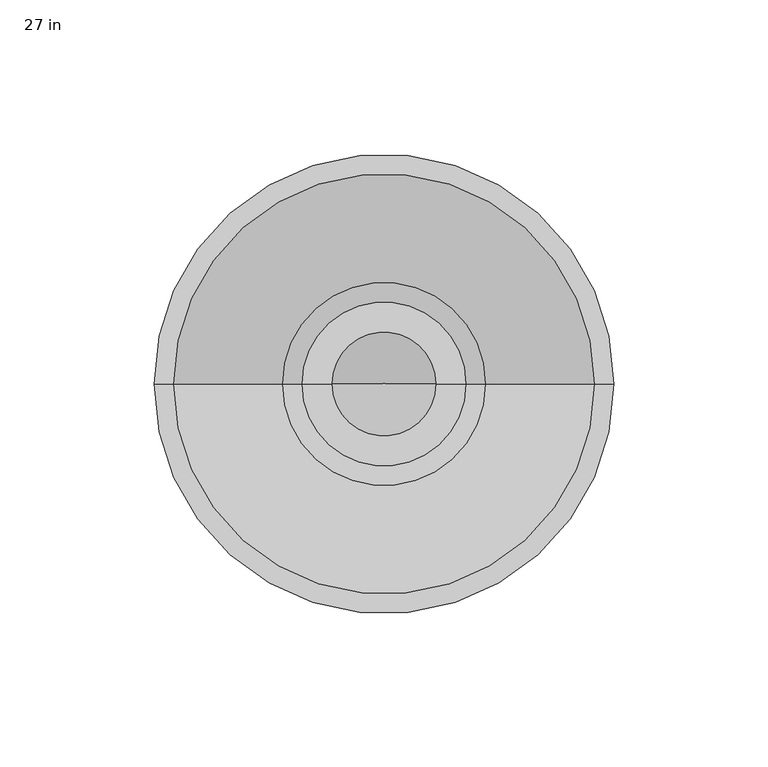
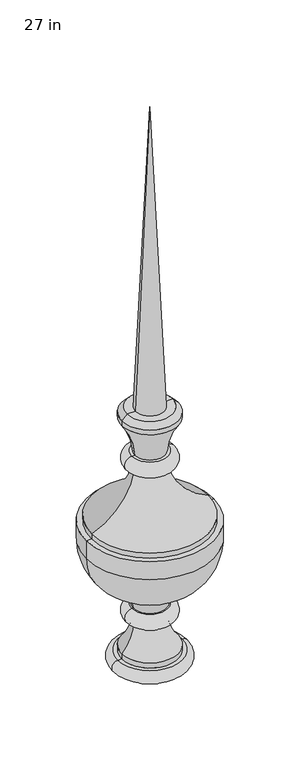
"""IFC4 building model written with IfcOpenShell, lengths in millimetres: proxy geometry, 27 in."""

import ifcopenshell
import ifcopenshell.guid

model = None  # the IFC model being written
_history = None  # IfcOwnerHistory: only IFC2X3 demands one
_inside = {}  # id of a spatial element -> (the spatial element, [elements in it])
_under = {}  # id of a project, library or spatial element -> (it, [spatial elements below it])
_declared = {}  # id of a project -> (the project, [libraries it declares])
_typed = {}  # id of a type object -> (the type object, [elements of that type])
_made_of = {}  # id of a material, layer set ... -> (it, [elements and type objects made of it])


def new_model(schema):
    """Start an empty IFC model of exactly this schema.

    Asked for "IFC4X3", IfcOpenShell would pick the latest addendum, in which some entities
    have other attributes; the version numbers below select the first issue.
    IFC2X3 requires an IfcOwnerHistory on every rooted entity: one is made here for all.
    """
    global model, _history
    if schema == "IFC4X3":
        model = ifcopenshell.file(schema_version=(4, 3, 0, 0))
    else:
        model = ifcopenshell.file(schema=schema)
    _inside.clear()
    _under.clear()
    _declared.clear()
    _typed.clear()
    _made_of.clear()
    _history = None
    if model.schema == "IFC2X3":
        org = make("IfcOrganization", Name="unknown")
        user = make(
            "IfcPersonAndOrganization",
            ThePerson=make("IfcPerson", FamilyName="unknown"),
            TheOrganization=org,
        )
        app = make(
            "IfcApplication",
            ApplicationDeveloper=org,
            Version="unknown",
            ApplicationFullName="unknown",
            ApplicationIdentifier="unknown",
        )
        _history = make(
            "IfcOwnerHistory",
            OwningUser=user,
            OwningApplication=app,
            ChangeAction="ADDED",
            CreationDate=0,
        )
    return model


def make(cls, **values):
    """One entity of the class cls with the attributes given. An attribute that is None is left unset."""
    return model.create_entity(
        cls, **{name: value for name, value in values.items() if value is not None}
    )


def rooted(cls, **values):
    """An entity with a GlobalId (a new one), such as an element, a storey or a relation."""
    return make(cls, GlobalId=ifcopenshell.guid.new(), OwnerHistory=_history, **values)


def si_unit(unit_type, name, prefix=None):
    """IfcSIUnit, for example si_unit("LENGTHUNIT", "METRE", prefix="MILLI")."""
    return make("IfcSIUnit", UnitType=unit_type, Prefix=prefix, Name=name)


def assignment(units):
    """IfcUnitAssignment: the units of a project."""
    return None if units is None else make("IfcUnitAssignment", Units=units)


def point(xyz):
    """IfcCartesianPoint."""
    return None if xyz is None else make("IfcCartesianPoint", Coordinates=xyz)


def direction(xyz):
    """IfcDirection."""
    return None if xyz is None else make("IfcDirection", DirectionRatios=xyz)


def frame(location, z_axis=None, x_axis=None):
    """IfcAxis2Placement3D, a coordinate frame: its origin and axes. An axis left out is left unset."""
    return make(
        "IfcAxis2Placement3D",
        Location=point(location),
        Axis=direction(z_axis),
        RefDirection=direction(x_axis),
    )


def origin():
    """The frame at (0, 0, 0) with its axes left unset."""
    return frame((0.0, 0.0, 0.0))


def place(relative_to, where):
    """IfcLocalPlacement: puts the frame where relative to a parent placement (None: the world)."""
    return make(
        "IfcLocalPlacement", PlacementRelTo=relative_to, RelativePlacement=where
    )


def context(
    kind, dimensions, precision=None, world=None, true_north=None, identifier=None
):
    """IfcGeometricRepresentationContext, for example the 3D "Model" context."""
    return make(
        "IfcGeometricRepresentationContext",
        ContextIdentifier=identifier,
        ContextType=kind,
        CoordinateSpaceDimension=dimensions,
        Precision=precision,
        WorldCoordinateSystem=world,
        TrueNorth=true_north,
    )


def project(units=None, contexts=None):
    """IfcProject with its units and contexts."""
    return rooted(
        "IfcProject",
        Name="project",
        RepresentationContexts=contexts,
        UnitsInContext=assignment(units),
    )


def spatial(cls, under=None, at=None, **own):
    """A site, building, storey or space (cls), placed at a placement, below another one or the project."""
    s = rooted(cls, ObjectPlacement=at, **own)
    if under is not None:
        _under.setdefault(under.id(), (under, []))[1].append(s)
    return s


def polyline(points):
    """IfcPolyline through the points."""
    return make("IfcPolyline", Points=[point(p) for p in points])


def circle_curve(where, radius):
    """IfcCircle in the frame where."""
    return make("IfcCircle", Position=where, Radius=radius)


def ellipse_curve(where, semi_axis1, semi_axis2):
    """IfcEllipse in the frame where."""
    return make(
        "IfcEllipse", Position=where, SemiAxis1=semi_axis1, SemiAxis2=semi_axis2
    )


def trimmed(basis, trim1, trim2, sense, master):
    """IfcTrimmedCurve: the piece of a basis curve between two trims."""
    return make(
        "IfcTrimmedCurve",
        BasisCurve=basis,
        Trim1=trim1,
        Trim2=trim2,
        SenseAgreement=sense,
        MasterRepresentation=master,
    )


def shape(context_of_items, identifier, shape_type, items):
    """IfcShapeRepresentation: the items that make up one representation, for example the "Body"."""
    return make(
        "IfcShapeRepresentation",
        ContextOfItems=context_of_items,
        RepresentationIdentifier=identifier,
        RepresentationType=shape_type,
        Items=items,
    )


def source(mapping_origin, context_of_items, identifier, shape_type, items):
    """IfcRepresentationMap: a shape defined once, which mapped items show again and again."""
    return make(
        "IfcRepresentationMap",
        MappingOrigin=mapping_origin,
        MappedRepresentation=shape(context_of_items, identifier, shape_type, items),
    )


def transform(
    local_origin,
    x_axis=None,
    y_axis=None,
    z_axis=None,
    scale=None,
    scale2=None,
    scale3=None,
    uniform=True,
):
    """IfcCartesianTransformationOperator3D, or its non-uniform kind. x_axis, y_axis, z_axis: its Axis1, 2, 3."""
    if uniform:
        return make(
            "IfcCartesianTransformationOperator3D",
            Axis1=direction(x_axis),
            Axis2=direction(y_axis),
            LocalOrigin=point(local_origin),
            Scale=scale,
            Axis3=direction(z_axis),
        )
    return make(
        "IfcCartesianTransformationOperator3DnonUniform",
        Axis1=direction(x_axis),
        Axis2=direction(y_axis),
        LocalOrigin=point(local_origin),
        Scale=scale,
        Axis3=direction(z_axis),
        Scale2=scale2,
        Scale3=scale3,
    )


def mapped(mapping_source, mapping_target):
    """IfcMappedItem: shows the shape of a source again, moved by a transform."""
    return make(
        "IfcMappedItem", MappingSource=mapping_source, MappingTarget=mapping_target
    )


def made_of(thing, what):
    """Note that an element or type object is made of a material, layer set ...; save() writes the relation."""
    if what is not None:
        _made_of.setdefault(what.id(), (what, []))[1].append(thing)
    return thing


def element(
    cls,
    number,
    at=None,
    inside=None,
    cuts=None,
    type_object=None,
    material=None,
    context=None,
    identifier="Body",
    shape_type=None,
    held_by="IfcProductDefinitionShape",
    body=None,
    shapes=None,
    **own,
):
    """One element of the class cls, such as IfcWall. Its Tag is "e" and its number.

    at: its placement. inside: the storey or other place that contains it. cuts: it is an
    opening in that element (IfcRelVoidsElement). A single representation is given by context,
    identifier, shape_type and body (its items); several are given by shapes. held_by: the class
    of the entity that holds the representations. save() writes the other relations.
    """
    e = rooted(cls, Tag="e%d" % number, ObjectPlacement=at, **own)
    if body is not None:
        shapes = [shape(context, identifier, shape_type, body)]
    if shapes is not None:
        e.Representation = make(held_by, Representations=shapes)
    if inside is not None:
        _inside.setdefault(inside.id(), (inside, []))[1].append(e)
    if cuts is not None:
        rooted(
            "IfcRelVoidsElement", RelatingBuildingElement=cuts, RelatedOpeningElement=e
        )
    if type_object is not None:
        _typed.setdefault(type_object.id(), (type_object, []))[1].append(e)
    return made_of(e, material)


def aggregate(whole, parts):
    """IfcRelAggregates: a whole, such as a stair, and the parts it consists of."""
    return rooted("IfcRelAggregates", RelatingObject=whole, RelatedObjects=parts)


def save(model, path):
    """Write the relations noted so far, then the file.

    IfcRelAggregates (storeys below a building ...), IfcRelContainedInSpatialStructure (elements
    in a storey), IfcRelDefinesByType, IfcRelAssociatesMaterial and IfcRelDeclares: one each for
    every whole, place, type object, material and project.
    """
    for whole, parts in _under.values():
        aggregate(whole, parts)
    for where, things in _inside.values():
        rooted(
            "IfcRelContainedInSpatialStructure",
            RelatedElements=things,
            RelatingStructure=where,
        )
    for kind, things in _typed.values():
        rooted("IfcRelDefinesByType", RelatedObjects=things, RelatingType=kind)
    for what, things in _made_of.values():
        rooted("IfcRelAssociatesMaterial", RelatedObjects=things, RelatingMaterial=what)
    for by, libraries in _declared.values():
        rooted("IfcRelDeclares", RelatingContext=by, RelatedDefinitions=libraries)
    model.write(path)


def plane_surface(at):
    """IfcPlane: the flat surface through the origin of the frame at, square to its z axis."""
    return make("IfcPlane", Position=at)


def cylinder_surface(at, radius):
    """IfcCylindricalSurface: all points at the distance radius from the z axis of the frame at."""
    return make("IfcCylindricalSurface", Position=at, Radius=radius)


def revolved_surface(curve, axis_point, axis_direction):
    """IfcSurfaceOfRevolution: the curve turned about the line through axis_point along axis_direction."""
    return make(
        "IfcSurfaceOfRevolution",
        SweptCurve=make("IfcArbitraryOpenProfileDef", ProfileType="CURVE", Curve=curve),
        AxisPosition=make("IfcAxis1Placement", Location=point(axis_point), Axis=direction(axis_direction)),
    )


def advanced_brep(points, edges, surfaces, faces):
    """IfcAdvancedBrep: a solid bounded by faces that lie on surfaces and meet in shared edges.

    An edge is (start, end): straight between two places in points (the first is 0);
    or (start, end, curve); or (start, end, curve, False) where it runs against its curve.
    A face is (place in surfaces, loops), or (place, loops, False) where it looks against
    its surface's normal. A loop lists edges by number (the first is 1), with a minus sign
    where the edge is run from its end to its start. The first loop is the outer one.
    """
    corners = [point(p) for p in points]
    vertices = [make("IfcVertexPoint", VertexGeometry=c) for c in corners]
    made = []
    for start, end, *more in edges:
        made.append(
            make(
                "IfcEdgeCurve",
                EdgeStart=vertices[start],
                EdgeEnd=vertices[end],
                EdgeGeometry=more[0] if more else make("IfcPolyline", Points=[corners[start], corners[end]]),
                SameSense=more[1] if len(more) > 1 else True,
            )
        )
    hull = []
    for where, loops, *sense in faces:
        bounds = []
        for j, loop in enumerate(loops):
            ring = [make("IfcOrientedEdge", EdgeElement=made[abs(k) - 1], Orientation=k > 0) for k in loop]
            bounds.append(
                make(
                    "IfcFaceOuterBound" if j == 0 else "IfcFaceBound",
                    Bound=make("IfcEdgeLoop", EdgeList=ring),
                    Orientation=True,
                )
            )
        hull.append(make("IfcAdvancedFace", Bounds=bounds, FaceSurface=surfaces[where], SameSense=sense[0] if sense else True))
    return make("IfcAdvancedBrep", Outer=make("IfcClosedShell", CfsFaces=hull))


def proxy_27_in_8e7bdd81(model_context):
    return source(origin(), model_context, "Body", "AdvancedBrep", [
        advanced_brep(
        [(16.8555097, 0.0, 315.3729456), (-16.8555097, 0.0, 315.3729456), (0.0, 0.0, 685.8), (26.5789255, 0.0, 315.3729456), (-26.5789255, 0.0, 315.3729456), (32.9289255, 0.0, 309.0229456), (-32.9289255, 0.0, 309.0229456), (32.9289255, 0.0, 303.1721152), (-32.9289255, 0.0, 303.1721152), (17.4911302, 0.0, 261.0941906), (-17.4911302, 0.0, 261.0941906), (20.9488027, 0.0, 261.0941906), (-20.9488027, 0.0, 261.0941906), (20.9488027, 0.0, 243.4300821), (-20.9488027, 0.0, 243.4300821), (18.2849564, 0.0, 243.4300821), (-18.2849564, 0.0, 243.4300821), (68.2625, 0.0, 181.5315803), (-68.2625, 0.0, 181.5315803), (68.2625, 0.0, 175.1815803), (-68.2625, 0.0, 175.1815803), (74.6125, 0.0, 175.1815803), (-74.6125, 0.0, 175.1815803), (74.6125, 0.0, 153.2556901), (-74.6125, 0.0, 153.2556901), (26.9027649, 0.0, 93.5136543), (-26.9027649, 0.0, 93.5136543), (19.4572311, 0.0, 72.6715417), (-19.4572311, 0.0, 72.6715417), (20.9488027, 0.0, 72.6715417), (-20.9488027, 0.0, 72.6715417), (19.0055881, 0.0, 55.2238563), (-19.0055881, 0.0, 55.2238563), (32.9334794, 0.0, 20.8980715), (-32.9334794, 0.0, 20.8980715), (32.9334794, 0.0, 14.5480715), (-32.9334794, 0.0, 14.5480715), (37.5285784, 0.0, 14.5480715), (-37.5285784, 0.0, 14.5480715), (37.5285784, 0.0, 0.0), (-37.5285784, 0.0, 0.0), (0.0, 0.0, 0.0)],
        [
            (0, 1, circle_curve(frame((0.0, 0.0, 315.3729456), z_axis=(0.0, 0.0, 1.0), x_axis=(-1.0, 0.0, 0.0)), 16.8555097)),
            (1, 2),
            (2, 0),
            (1, 0, circle_curve(frame((0.0, 0.0, 315.3729456), z_axis=(0.0, 0.0, 1.0), x_axis=(-1.0, 0.0, 0.0)), 16.8555097)),
            (3, 4, circle_curve(frame((0.0, 0.0, 315.3729456), z_axis=(0.0, 0.0, 1.0), x_axis=(-1.0, 0.0, 0.0)), 26.5789255)),
            (4, 1),
            (0, 3),
            (4, 3, circle_curve(frame((0.0, 0.0, 315.3729456), z_axis=(0.0, 0.0, 1.0), x_axis=(-1.0, 0.0, 0.0)), 26.5789255)),
            (5, 6, circle_curve(frame((0.0, 0.0, 309.0229456), z_axis=(0.0, 0.0, 1.0), x_axis=(-1.0, 0.0, 0.0)), 32.9289255)),
            (6, 4),
            (3, 5),
            (6, 5, circle_curve(frame((0.0, 0.0, 309.0229456), z_axis=(0.0, 0.0, 1.0), x_axis=(-1.0, 0.0, 0.0)), 32.9289255)),
            (7, 8, circle_curve(frame((0.0, 0.0, 303.1721152), z_axis=(0.0, 0.0, 1.0), x_axis=(-1.0, 0.0, 0.0)), 32.9289255)),
            (8, 6),
            (5, 7),
            (8, 7, circle_curve(frame((0.0, 0.0, 303.1721152), z_axis=(0.0, 0.0, 1.0), x_axis=(-1.0, 0.0, 0.0)), 32.9289255)),
            (9, 10, circle_curve(frame((0.0, 0.0, 261.0941906), z_axis=(0.0, 0.0, 1.0), x_axis=(-1.0, 0.0, 0.0)), 17.4911302)),
            (10, 8, circle_curve(frame((-96.9441392, 0.0, 255.8149222), z_axis=(0.0, -1.0, 0.0), x_axis=(1.0, 0.0, 0.0)), 79.6282067)),
            (7, 9, circle_curve(frame((96.9441392, 0.0, 255.8149222), z_axis=(0.0, -1.0, 0.0), x_axis=(-1.0, 0.0, 0.0)), 79.6282067)),
            (10, 9, circle_curve(frame((0.0, 0.0, 261.0941906), z_axis=(0.0, 0.0, 1.0), x_axis=(-1.0, 0.0, 0.0)), 17.4911302)),
            (11, 12, circle_curve(frame((0.0, 0.0, 261.0941906), z_axis=(0.0, 0.0, 1.0), x_axis=(-1.0, 0.0, 0.0)), 20.9488027)),
            (12, 10),
            (9, 11),
            (12, 11, circle_curve(frame((0.0, 0.0, 261.0941906), z_axis=(0.0, 0.0, 1.0), x_axis=(-1.0, 0.0, 0.0)), 20.9488027)),
            (13, 14, circle_curve(frame((0.0, 0.0, 243.4300821), z_axis=(0.0, 0.0, 1.0), x_axis=(-1.0, 0.0, 0.0)), 20.9488027)),
            (14, 12, circle_curve(frame((-20.9488027, 0.0, 252.2621363), z_axis=(0.0, 1.0, 0.0), x_axis=(1.0, 0.0, 0.0)), 8.8320543)),
            (11, 13, circle_curve(frame((20.9488027, 0.0, 252.2621363), z_axis=(0.0, 1.0, 0.0), x_axis=(-1.0, 0.0, 0.0)), 8.8320543)),
            (14, 13, circle_curve(frame((0.0, 0.0, 243.4300821), z_axis=(0.0, 0.0, 1.0), x_axis=(-1.0, 0.0, 0.0)), 20.9488027)),
            (15, 16, circle_curve(frame((0.0, 0.0, 243.4300821), z_axis=(0.0, 0.0, 1.0), x_axis=(-1.0, 0.0, 0.0)), 18.2849564)),
            (16, 14),
            (13, 15),
            (16, 15, circle_curve(frame((0.0, 0.0, 243.4300821), z_axis=(0.0, 0.0, 1.0), x_axis=(-1.0, 0.0, 0.0)), 18.2849564)),
            (17, 18, circle_curve(frame((0.0, 0.0, 181.5315803), z_axis=(0.0, 0.0, 1.0), x_axis=(-1.0, 0.0, 0.0)), 68.2625)),
            (18, 16, circle_curve(frame((-96.9441392, 0.0, 255.8149222), z_axis=(0.0, -1.0, 0.0), x_axis=(1.0, 0.0, 0.0)), 79.6282067)),
            (15, 17, circle_curve(frame((96.9441392, 0.0, 255.8149222), z_axis=(0.0, -1.0, 0.0), x_axis=(-1.0, 0.0, 0.0)), 79.6282067)),
            (18, 17, circle_curve(frame((0.0, 0.0, 181.5315803), z_axis=(0.0, 0.0, 1.0), x_axis=(-1.0, 0.0, 0.0)), 68.2625)),
            (19, 20, circle_curve(frame((0.0, 0.0, 175.1815803), z_axis=(0.0, 0.0, 1.0), x_axis=(-1.0, 0.0, 0.0)), 68.2625)),
            (20, 18),
            (17, 19),
            (20, 19, circle_curve(frame((0.0, 0.0, 175.1815803), z_axis=(0.0, 0.0, 1.0), x_axis=(-1.0, 0.0, 0.0)), 68.2625)),
            (21, 22, circle_curve(frame((0.0, 0.0, 175.1815803), z_axis=(0.0, 0.0, 1.0), x_axis=(-1.0, 0.0, 0.0)), 74.6125)),
            (22, 20),
            (19, 21),
            (22, 21, circle_curve(frame((0.0, 0.0, 175.1815803), z_axis=(0.0, 0.0, 1.0), x_axis=(-1.0, 0.0, 0.0)), 74.6125)),
            (23, 24, circle_curve(frame((0.0, 0.0, 153.2556901), z_axis=(0.0, 0.0, 1.0), x_axis=(-1.0, 0.0, 0.0)), 74.6125)),
            (24, 22),
            (21, 23),
            (24, 23, circle_curve(frame((0.0, 0.0, 153.2556901), z_axis=(0.0, 0.0, 1.0), x_axis=(-1.0, 0.0, 0.0)), 74.6125)),
            (25, 26, circle_curve(frame((0.0, 0.0, 93.5136543), z_axis=(0.0, 0.0, 1.0), x_axis=(-1.0, 0.0, 0.0)), 26.9027649)),
            (26, 24, circle_curve(frame((-13.353203, 0.0, 153.2556901), z_axis=(0.0, 1.0, 0.0), x_axis=(1.0, 0.0, 0.0)), 61.259297)),
            (23, 25, circle_curve(frame((13.353203, 0.0, 153.2556901), z_axis=(0.0, 1.0, 0.0), x_axis=(-1.0, 0.0, 0.0)), 61.259297)),
            (26, 25, circle_curve(frame((0.0, 0.0, 93.5136543), z_axis=(0.0, 0.0, 1.0), x_axis=(-1.0, 0.0, 0.0)), 26.9027649)),
            (27, 28, circle_curve(frame((0.0, 0.0, 72.6715417), z_axis=(0.0, 0.0, 1.0), x_axis=(-1.0, 0.0, 0.0)), 19.4572311)),
            (28, 26, circle_curve(frame((-72.2398864, 0.0, 65.5666846), z_axis=(0.0, -1.0, 0.0), x_axis=(1.0, 0.0, 0.0)), 53.2586866)),
            (25, 27, circle_curve(frame((72.2398864, 0.0, 65.5666846), z_axis=(0.0, -1.0, 0.0), x_axis=(-1.0, 0.0, 0.0)), 53.2586866)),
            (28, 27, circle_curve(frame((0.0, 0.0, 72.6715417), z_axis=(0.0, 0.0, 1.0), x_axis=(-1.0, 0.0, 0.0)), 19.4572311)),
            (29, 30, circle_curve(frame((0.0, 0.0, 72.6715417), z_axis=(0.0, 0.0, 1.0), x_axis=(-1.0, 0.0, 0.0)), 20.9488027)),
            (30, 28),
            (27, 29),
            (30, 29, circle_curve(frame((0.0, 0.0, 72.6715417), z_axis=(0.0, 0.0, 1.0), x_axis=(-1.0, 0.0, 0.0)), 20.9488027)),
            (31, 32, circle_curve(frame((0.0, 0.0, 55.2238563), z_axis=(0.0, 0.0, 1.0), x_axis=(-1.0, 0.0, 0.0)), 19.0055881)),
            (32, 30, circle_curve(frame((-20.9488027, 0.0, 63.8394874), z_axis=(0.0, 1.0, 0.0), x_axis=(1.0, 0.0, 0.0)), 8.8320543)),
            (29, 31, circle_curve(frame((20.9488027, 0.0, 63.8394874), z_axis=(0.0, 1.0, 0.0), x_axis=(-1.0, 0.0, 0.0)), 8.8320543)),
            (32, 31, circle_curve(frame((0.0, 0.0, 55.2238563), z_axis=(0.0, 0.0, 1.0), x_axis=(-1.0, 0.0, 0.0)), 19.0055881)),
            (33, 34, circle_curve(frame((0.0, 0.0, 20.8980715), z_axis=(0.0, 0.0, 1.0), x_axis=(-1.0, 0.0, 0.0)), 32.9334794)),
            (34, 32, circle_curve(frame((-72.2398864, 0.0, 56.8354346), z_axis=(0.0, -1.0, 0.0), x_axis=(1.0, 0.0, 0.0)), 53.2586866)),
            (31, 33, circle_curve(frame((72.2398864, 0.0, 56.8354346), z_axis=(0.0, -1.0, 0.0), x_axis=(-1.0, 0.0, 0.0)), 53.2586866)),
            (34, 33, circle_curve(frame((0.0, 0.0, 20.8980715), z_axis=(0.0, 0.0, 1.0), x_axis=(-1.0, 0.0, 0.0)), 32.9334794)),
            (35, 36, circle_curve(frame((0.0, 0.0, 14.5480715), z_axis=(0.0, 0.0, 1.0), x_axis=(-1.0, 0.0, 0.0)), 32.9334794)),
            (36, 34),
            (33, 35),
            (36, 35, circle_curve(frame((0.0, 0.0, 14.5480715), z_axis=(0.0, 0.0, 1.0), x_axis=(-1.0, 0.0, 0.0)), 32.9334794)),
            (37, 38, circle_curve(frame((0.0, 0.0, 14.5480715), z_axis=(0.0, 0.0, 1.0), x_axis=(-1.0, 0.0, 0.0)), 37.5285784)),
            (38, 36),
            (35, 37),
            (38, 37, circle_curve(frame((0.0, 0.0, 14.5480715), z_axis=(0.0, 0.0, 1.0), x_axis=(-1.0, 0.0, 0.0)), 37.5285784)),
            (39, 40, circle_curve(frame((0.0, 0.0, 0.0), z_axis=(0.0, 0.0, 1.0), x_axis=(-1.0, 0.0, 0.0)), 37.5285784)),
            (40, 38, circle_curve(frame((-37.5285784, 0.0, 7.2740357), z_axis=(0.0, 1.0, 0.0), x_axis=(1.0, 0.0, 0.0)), 7.2740357)),
            (37, 39, circle_curve(frame((37.5285784, 0.0, 7.2740357), z_axis=(0.0, 1.0, 0.0), x_axis=(-1.0, 0.0, 0.0)), 7.2740357)),
            (40, 39, circle_curve(frame((0.0, 0.0, 0.0), z_axis=(0.0, 0.0, 1.0), x_axis=(-1.0, 0.0, 0.0)), 37.5285784)),
            (41, 40),
            (39, 41),
        ],
        [
            revolved_surface(polyline([(0.0, 0.0, 685.8), (-16.8555097, 0.0, 315.3729456)]), (0.0, 0.0, 721.7729456), (0.0, 0.0, -1.0)),
            plane_surface(frame((0.0, 0.0, 315.3729456), z_axis=(0.0, 0.0, 1.0), x_axis=(-1.0, 0.0, 0.0))),
            revolved_surface(polyline([(-26.5789255, 0.0, 315.3729456), (-32.9289255, 0.0, 309.0229456)]), (0.0, 0.0, 721.7729456), (0.0, 0.0, -1.0)),
            cylinder_surface(frame((0.0, 0.0, 721.7729456), z_axis=(0.0, 0.0, -1.0), x_axis=(-1.0, 0.0, 0.0)), 32.9289255),
            revolved_surface(trimmed(ellipse_curve(frame((-96.9441392, 0.0, 255.8149222), z_axis=(0.0, 1.0, 0.0), x_axis=(1.0, 0.0, 0.0)), 79.6282067, 79.6282067), [point((-32.9289255, 0.0, 303.1721152))], [point((-17.4911302, 0.0, 261.0941906))], True, "CARTESIAN"), (0.0, 0.0, 721.7729456), (0.0, 0.0, -1.0)),
            plane_surface(frame((0.0, 0.0, 261.0941906), z_axis=(0.0, 0.0, 1.0), x_axis=(-1.0, 0.0, 0.0))),
            revolved_surface(trimmed(ellipse_curve(frame((-20.9488027, 0.0, 252.2621363), z_axis=(0.0, -1.0, 0.0), x_axis=(1.0, 0.0, 0.0)), 8.8320543, 8.8320543), [point((-20.9488027, 0.0, 261.0941906))], [point((-20.9488027, 0.0, 243.4300821))], True, "CARTESIAN"), (0.0, 0.0, 721.7729456), (0.0, 0.0, -1.0)),
            plane_surface(frame((0.0, 0.0, 243.4300821), z_axis=(0.0, 0.0, -1.0), x_axis=(-1.0, 0.0, 0.0))),
            revolved_surface(trimmed(ellipse_curve(frame((-96.9441392, 0.0, 255.8149222), z_axis=(0.0, 1.0, 0.0), x_axis=(1.0, 0.0, 0.0)), 79.6282067, 79.6282067), [point((-18.2849564, 0.0, 243.4300821))], [point((-68.2625, 0.0, 181.5315803))], True, "CARTESIAN"), (0.0, 0.0, 721.7729456), (0.0, 0.0, -1.0)),
            cylinder_surface(frame((0.0, 0.0, 721.7729456), z_axis=(0.0, 0.0, -1.0), x_axis=(-1.0, 0.0, 0.0)), 68.2625),
            plane_surface(frame((0.0, 0.0, 175.1815803), z_axis=(0.0, 0.0, 1.0), x_axis=(-1.0, 0.0, 0.0))),
            cylinder_surface(frame((0.0, 0.0, 721.7729456), z_axis=(0.0, 0.0, -1.0), x_axis=(-1.0, 0.0, 0.0)), 74.6125),
            revolved_surface(trimmed(ellipse_curve(frame((-13.353203, 0.0, 153.2556901), z_axis=(0.0, -1.0, 0.0), x_axis=(1.0, 0.0, 0.0)), 61.259297, 61.259297), [point((-74.6125, 0.0, 153.2556901))], [point((-26.9027649, 0.0, 93.5136543))], True, "CARTESIAN"), (0.0, 0.0, 721.7729456), (0.0, 0.0, -1.0)),
            revolved_surface(trimmed(ellipse_curve(frame((-72.2398864, 0.0, 65.5666846), z_axis=(0.0, 1.0, 0.0), x_axis=(1.0, 0.0, 0.0)), 53.2586866, 53.2586866), [point((-26.9027649, 0.0, 93.5136543))], [point((-19.4572311, 0.0, 72.6715417))], True, "CARTESIAN"), (0.0, 0.0, 721.7729456), (0.0, 0.0, -1.0)),
            plane_surface(frame((0.0, 0.0, 72.6715417), z_axis=(0.0, 0.0, 1.0), x_axis=(-1.0, 0.0, 0.0))),
            revolved_surface(trimmed(ellipse_curve(frame((-20.9488027, 0.0, 63.8394874), z_axis=(0.0, -1.0, 0.0), x_axis=(1.0, 0.0, 0.0)), 8.8320543, 8.8320543), [point((-20.9488027, 0.0, 72.6715417))], [point((-19.0055881, 0.0, 55.2238563))], True, "CARTESIAN"), (0.0, 0.0, 721.7729456), (0.0, 0.0, -1.0)),
            revolved_surface(trimmed(ellipse_curve(frame((-72.2398864, 0.0, 56.8354346), z_axis=(0.0, 1.0, 0.0), x_axis=(1.0, 0.0, 0.0)), 53.2586866, 53.2586866), [point((-19.0055881, 0.0, 55.2238563))], [point((-32.9334794, 0.0, 20.8980715))], True, "CARTESIAN"), (0.0, 0.0, 721.7729456), (0.0, 0.0, -1.0)),
            cylinder_surface(frame((0.0, 0.0, 721.7729456), z_axis=(0.0, 0.0, -1.0), x_axis=(-1.0, 0.0, 0.0)), 32.9334794),
            plane_surface(frame((0.0, 0.0, 14.5480715), z_axis=(0.0, 0.0, 1.0), x_axis=(-1.0, 0.0, 0.0))),
            revolved_surface(trimmed(ellipse_curve(frame((-37.5285784, 0.0, 7.2740357), z_axis=(0.0, -1.0, 0.0), x_axis=(1.0, 0.0, 0.0)), 7.2740357, 7.2740357), [point((-37.5285784, 0.0, 14.5480715))], [point((-37.5285784, 0.0, 0.0))], True, "CARTESIAN"), (0.0, 0.0, 721.7729456), (0.0, 0.0, -1.0)),
            plane_surface(frame((0.0, 0.0, 0.0), z_axis=(0.0, 0.0, -1.0), x_axis=(-1.0, 0.0, 0.0))),
        ],
        [
            (0, [[1, 2, 3]]),
            (0, [[4, -3, -2]]),
            (1, [[5, 6, -1, 7]]),
            (1, [[8, -7, -4, -6]]),
            (2, [[9, 10, -5, 11]]),
            (2, [[12, -11, -8, -10]]),
            (3, [[13, 14, -9, 15]]),
            (3, [[16, -15, -12, -14]]),
            (4, [[17, 18, -13, 19]]),
            (4, [[20, -19, -16, -18]]),
            (5, [[21, 22, -17, 23]]),
            (5, [[24, -23, -20, -22]]),
            (6, [[25, 26, -21, 27]]),
            (6, [[28, -27, -24, -26]]),
            (7, [[29, 30, -25, 31]]),
            (7, [[32, -31, -28, -30]]),
            (8, [[33, 34, -29, 35]]),
            (8, [[36, -35, -32, -34]]),
            (9, [[37, 38, -33, 39]]),
            (9, [[40, -39, -36, -38]]),
            (10, [[41, 42, -37, 43]]),
            (10, [[44, -43, -40, -42]]),
            (11, [[45, 46, -41, 47]]),
            (11, [[48, -47, -44, -46]]),
            (12, [[49, 50, -45, 51]]),
            (12, [[52, -51, -48, -50]]),
            (13, [[53, 54, -49, 55]]),
            (13, [[56, -55, -52, -54]]),
            (14, [[57, 58, -53, 59]]),
            (14, [[60, -59, -56, -58]]),
            (15, [[61, 62, -57, 63]]),
            (15, [[64, -63, -60, -62]]),
            (16, [[65, 66, -61, 67]]),
            (16, [[68, -67, -64, -66]]),
            (17, [[69, 70, -65, 71]]),
            (17, [[72, -71, -68, -70]]),
            (18, [[73, 74, -69, 75]]),
            (18, [[76, -75, -72, -74]]),
            (19, [[77, 78, -73, 79]]),
            (19, [[80, -79, -76, -78]]),
            (20, [[81, -77, 82]]),
            (20, [[-82, -80, -81]]),
        ],
    ),
    ])


if __name__ == "__main__":
    model = new_model("IFC4")
    model_context = context("Model", 3, world=origin())
    ifc_project = project(units=[si_unit("LENGTHUNIT", "METRE", prefix="MILLI")], contexts=[model_context])
    site = spatial("IfcSite", under=ifc_project)
    building = spatial("IfcBuilding", under=site)
    placement = place(None, origin())
    proxy_27_in_shape = proxy_27_in_8e7bdd81(model_context)
    element("IfcBuildingElementProxy", 1, Name="27 in", ObjectType="27 in", at=placement, inside=building, context=model_context, shape_type="MappedRepresentation", body=[
        mapped(proxy_27_in_shape, transform((0.0, 0.0, 0.0), x_axis=(1.0, 0.0, 0.0), y_axis=(0.0, 1.0, 0.0), z_axis=(0.0, 0.0, 1.0))),
    ])
    save(model, "model.ifc")
